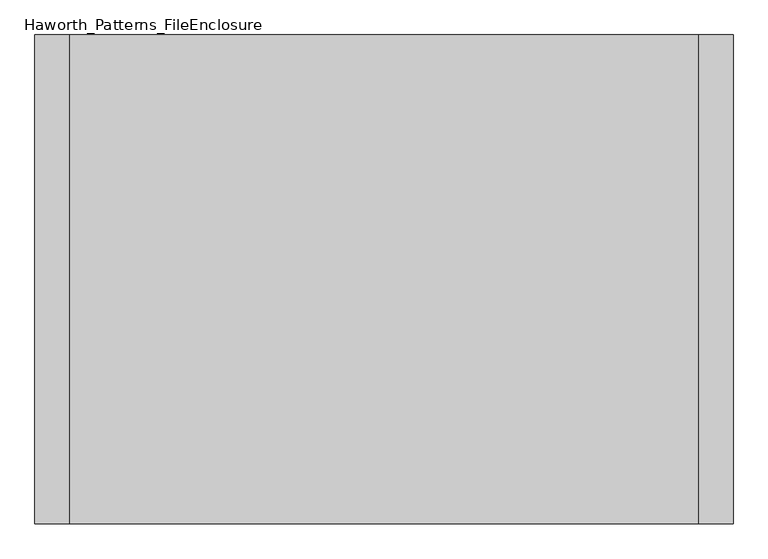
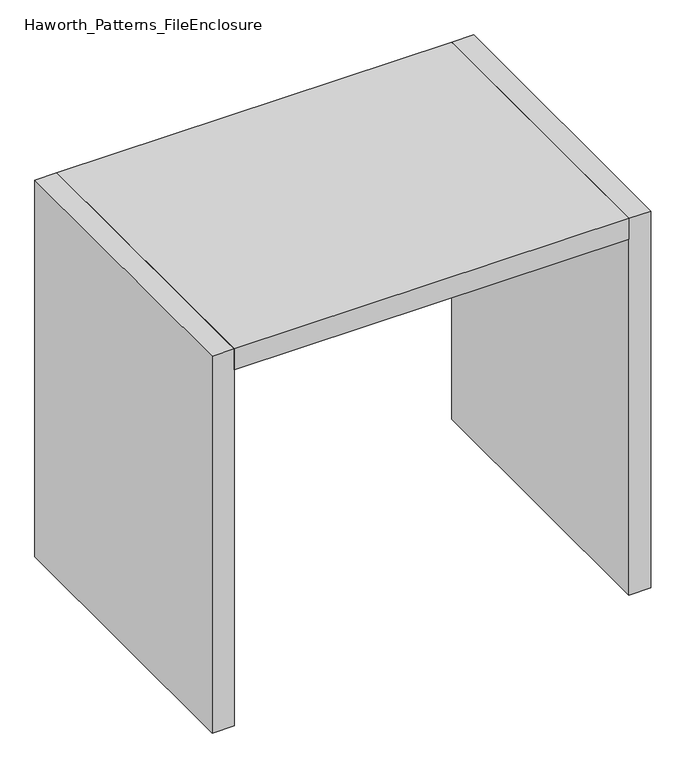
"""IFC4 building model written with IfcOpenShell, lengths in millimetres: furniture geometry, Haworth_Patterns_FileEnclosure."""

from ifc_helpers import new_model, si_unit, frame, origin, origin_with_axes, place, context, project, spatial, polyline, outline, extrude, source, transform, mapped, element, save


def haworth_patterns_fileenclosure_5573f00e(model_context):
    return source(origin(), model_context, "Body", "SweptSolid", [
        extrude(outline(polyline([(685.8, 0.0), (685.8, -1066.8), (-685.8, -1066.8), (-685.8, 0.0), (685.8, 0.0)])), frame((0.0, 0.0, 1308.1), z_axis=(0.0, 0.0, 1.0), x_axis=(1.0, 0.0, 0.0)), (0.0, 0.0, 1.0), 76.2),
        extrude(outline(polyline([(685.8, 0.0), (762.0, 0.0), (762.0, -1066.8), (685.8, -1066.8), (685.8, 0.0)])), origin_with_axes(), (0.0, 0.0, 1.0), 1384.3),
        extrude(outline(polyline([(-685.8, 0.0), (-685.8, -1066.8), (-762.0, -1066.8), (-762.0, 0.0), (-685.8, 0.0)])), origin_with_axes(), (0.0, 0.0, 1.0), 1384.3),
    ])


if __name__ == "__main__":
    model = new_model("IFC4")
    model_context = context("Model", 3, world=origin())
    ifc_project = project(units=[si_unit("LENGTHUNIT", "METRE", prefix="MILLI")], contexts=[model_context])
    site = spatial("IfcSite", under=ifc_project)
    building = spatial("IfcBuilding", under=site)
    placement = place(None, origin())
    haworth_patterns_fileenclosure_shape = haworth_patterns_fileenclosure_5573f00e(model_context)
    element("IfcFurniture", 1, ObjectType="Haworth_Patterns_FileEnclosure", at=placement, inside=building, context=model_context, shape_type="MappedRepresentation", body=[
        mapped(haworth_patterns_fileenclosure_shape, transform((0.0, 0.0, 0.0), x_axis=(1.0, 0.0, 0.0), y_axis=(0.0, 1.0, 0.0), z_axis=(0.0, 0.0, 1.0))),
    ])
    save(model, "model.ifc")
